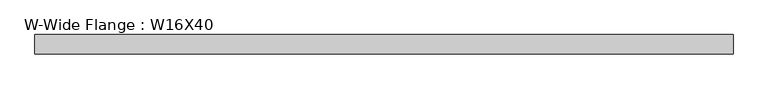
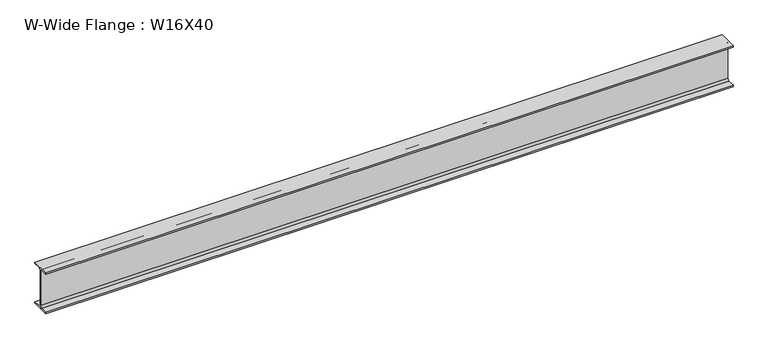
"""IFC4 building model written with IfcOpenShell, lengths in millimetres: beam geometry, W-Wide Flange : W16X40."""

from ifc_helpers import new_model, si_unit, point, frame, frame_2d, origin, place, context, project, spatial, polyline, circle_curve, trimmed, segment, composite_curve, outline, extrude, source, transform, mapped, element, save


def w_wide_flange_w16x40_0108cb27(model_context):
    return source(origin(), model_context, "Body", "SweptSolid", [
        extrude(outline(composite_curve([segment(polyline([(88.9, -190.4), (88.9, -203.2), (-88.9, -203.2), (-88.9, -190.4), (-21.25, -190.4)]), True, "CONTINUOUS"), segment(trimmed(circle_curve(frame_2d((-21.25, -173.0)), 17.4), [point((-21.25, -190.4))], [point((-3.85, -173.0))], True, "CARTESIAN"), True, "CONTINUOUS"), segment(polyline([(-3.85, -173.0), (-3.85, 173.0)]), True, "CONTINUOUS"), segment(trimmed(circle_curve(frame_2d((-21.25, 173.0)), 17.4), [point((-3.85, 173.0))], [point((-21.25, 190.4))], True, "CARTESIAN"), True, "CONTINUOUS"), segment(polyline([(-21.25, 190.4), (-88.9, 190.4), (-88.9, 203.2), (88.9, 203.2), (88.9, 190.4), (21.25, 190.4)]), True, "CONTINUOUS"), segment(trimmed(circle_curve(frame_2d((21.25, 173.0)), 17.4), [point((21.25, 190.4))], [point((3.85, 173.0))], True, "CARTESIAN"), True, "CONTINUOUS"), segment(polyline([(3.85, 173.0), (3.85, -173.0)]), True, "CONTINUOUS"), segment(trimmed(circle_curve(frame_2d((21.25, -173.0)), 17.4), [point((3.85, -173.0))], [point((21.25, -190.4))], True, "CARTESIAN"), True, "CONTINUOUS"), segment(polyline([(21.25, -190.4), (88.9, -190.4)]), True, "CONTINUOUS")], self_intersect=False)), frame((-3330.3651772, 0.0, 0.0), z_axis=(1.0, 0.0, 0.0), x_axis=(0.0, 1.0, 0.0)), (0.0, 0.0, 1.0), 6472.1885526),
    ])


if __name__ == "__main__":
    model = new_model("IFC4")
    model_context = context("Model", 3, world=origin())
    ifc_project = project(units=[si_unit("LENGTHUNIT", "METRE", prefix="MILLI")], contexts=[model_context])
    site = spatial("IfcSite", under=ifc_project)
    building = spatial("IfcBuilding", under=site)
    placement = place(None, origin())
    w_wide_flange_w16x40_shape = w_wide_flange_w16x40_0108cb27(model_context)
    element("IfcBeam", 1, ObjectType="W-Wide Flange : W16X40", at=placement, inside=building, context=model_context, shape_type="MappedRepresentation", body=[
        mapped(w_wide_flange_w16x40_shape, transform((0.0, 0.0, 0.0), x_axis=(1.0, 0.0, 0.0), y_axis=(0.0, 1.0, 0.0), z_axis=(0.0, 0.0, 1.0))),
    ])
    save(model, "model.ifc")
